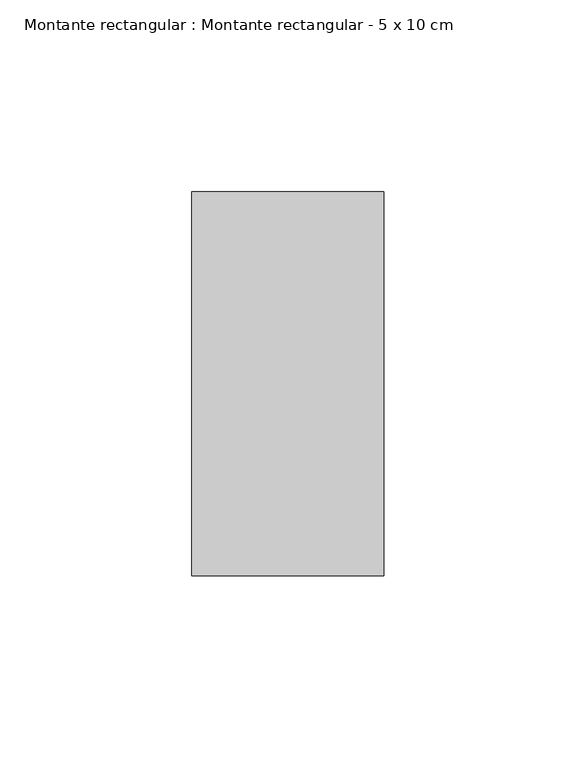
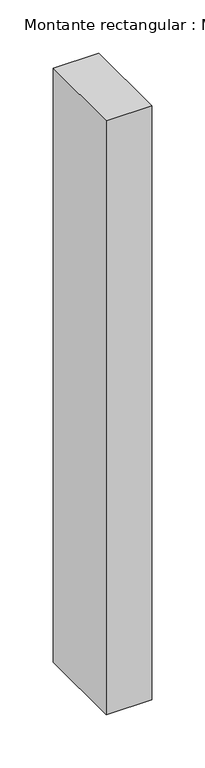
"""IFC4 building model written with IfcOpenShell, lengths in millimetres: member geometry, Montante rectangular : Montante rectangular - 5 x 10 cm."""

from ifc_helpers import new_model, si_unit, frame, origin, place, context, project, spatial, polyline, outline, extrude, source, transform, mapped, element, save


def montante_rectangular_montante_rectangular_5_x_10_cm_4bd8ae44(model_context):
    return source(origin(), model_context, "Body", "SweptSolid", [
        extrude(outline(polyline([(-50.0, -50.0), (-50.0, 50.0), (0.0, 50.0), (0.0, -50.0), (-50.0, -50.0)])), frame((0.0, 0.0, -684.0), z_axis=(0.0, 0.0, 1.0), x_axis=(1.0, 0.0, 0.0)), (0.0, 0.0, 1.0), 684.0),
    ])


if __name__ == "__main__":
    model = new_model("IFC4")
    model_context = context("Model", 3, world=origin())
    ifc_project = project(units=[si_unit("LENGTHUNIT", "METRE", prefix="MILLI")], contexts=[model_context])
    site = spatial("IfcSite", under=ifc_project)
    building = spatial("IfcBuilding", under=site)
    placement = place(None, origin())
    montante_rectangular_montante_rectangular_5_x_10_cm_shape = montante_rectangular_montante_rectangular_5_x_10_cm_4bd8ae44(model_context)
    element("IfcMember", 1, ObjectType="Montante rectangular : Montante rectangular - 5 x 10 cm", at=placement, inside=building, context=model_context, shape_type="MappedRepresentation", body=[
        mapped(montante_rectangular_montante_rectangular_5_x_10_cm_shape, transform((0.0, 0.0, 0.0), x_axis=(1.0, 0.0, 0.0), y_axis=(0.0, 1.0, 0.0), z_axis=(0.0, 0.0, 1.0))),
    ])
    save(model, "model.ifc")
